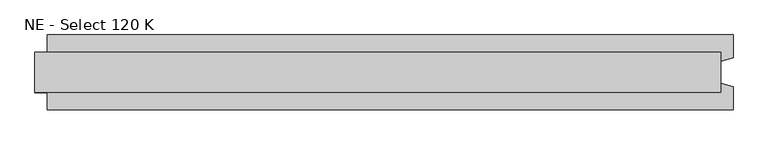
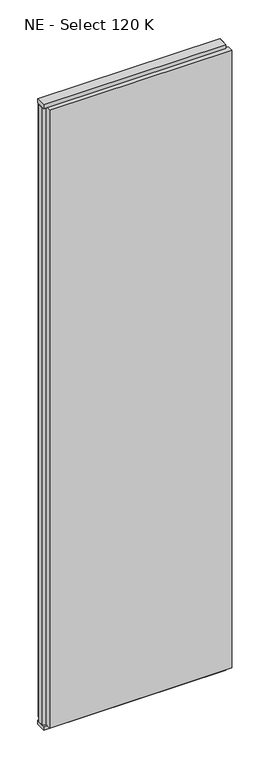
"""IFC4 building model written with IfcOpenShell, lengths in millimetres: plate geometry, NE - Select 120 K."""

from ifc_helpers import new_model, si_unit, frame, origin, origin_with_axes, place, context, project, spatial, polyline, outline, extrude, source, transform, mapped, element, save


def ne_select_120_k_c09f4137(model_context):
    return source(origin(), model_context, "Body", "SweptSolid", [
        extrude(outline(polyline([(570.5, 60.0), (570.5, 22.9993165), (550.5, 17.6401049), (550.5, -17.6401049), (570.5, -22.9993165), (570.5, -60.0), (-530.5, -60.0), (-530.5, -22.9993165), (-550.5, -17.6401049), (-550.5, 17.6401049), (-530.5, 22.9993165), (-530.5, 60.0), (570.5, 60.0)])), frame((0.0, 0.0, 25.0), z_axis=(0.0, 0.0, 1.0), x_axis=(1.0, 0.0, 0.0)), (0.0, 0.0, 1.0), 3950.0),
        extrude(outline(polyline([(550.5, 32.0), (550.5, -32.0), (-550.5, -32.0), (-550.5, 32.0), (550.5, 32.0)])), origin_with_axes(), (0.0, 0.0, 1.0), 25.0),
        extrude(outline(polyline([(550.5, 32.0), (550.5, -32.0), (-550.5, -32.0), (-550.5, 32.0), (550.5, 32.0)])), frame((0.0, 0.0, 3975.0), z_axis=(0.0, 0.0, 1.0), x_axis=(1.0, 0.0, 0.0)), (0.0, 0.0, 1.0), 25.0),
    ])


if __name__ == "__main__":
    model = new_model("IFC4")
    model_context = context("Model", 3, world=origin())
    ifc_project = project(units=[si_unit("LENGTHUNIT", "METRE", prefix="MILLI")], contexts=[model_context])
    site = spatial("IfcSite", under=ifc_project)
    building = spatial("IfcBuilding", under=site)
    placement = place(None, origin())
    ne_select_120_k_shape = ne_select_120_k_c09f4137(model_context)
    element("IfcPlate", 1, ObjectType="NE - Select 120 K", at=placement, inside=building, context=model_context, shape_type="MappedRepresentation", body=[
        mapped(ne_select_120_k_shape, transform((0.0, 0.0, 0.0), x_axis=(1.0, 0.0, 0.0), y_axis=(0.0, 1.0, 0.0), z_axis=(0.0, 0.0, 1.0))),
    ])
    save(model, "model.ifc")
